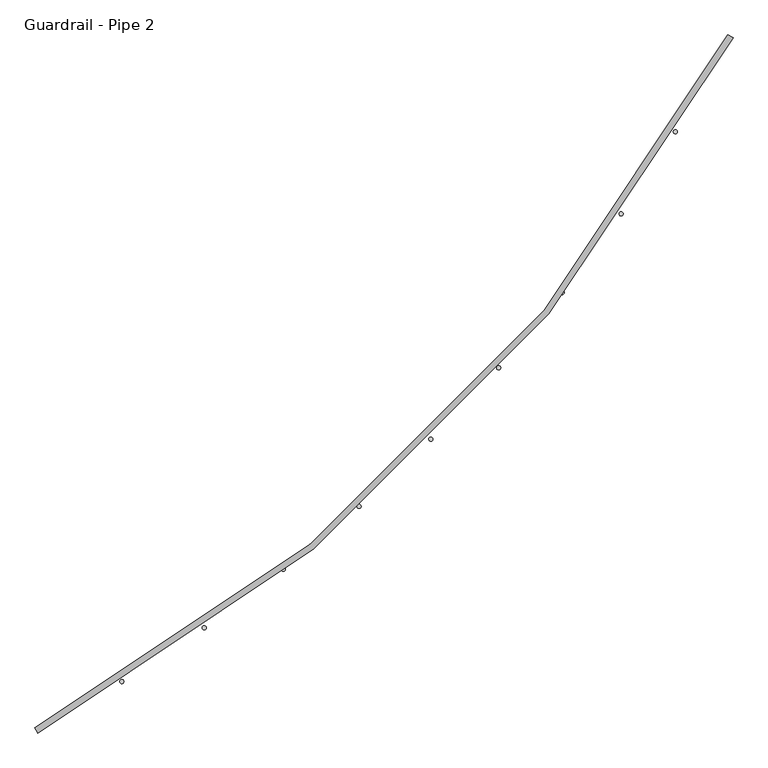
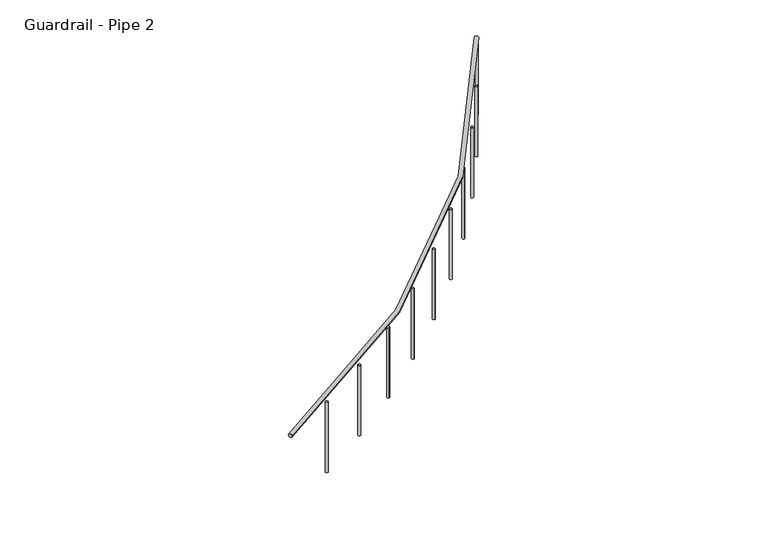
"""IFC4 building model written with IfcOpenShell, lengths in millimetres: railing geometry, Guardrail - Pipe 2."""

from ifc_helpers import new_model, si_unit, point, frame, frame_2d, origin, place, context, project, spatial, circle_curve, ellipse_curve, trimmed, segment, composite_curve, outline, extrude, source, transform, mapped, element, save
from ifc_brep_helpers import plane_surface, revolved_surface, advanced_brep


def guardrail_pipe_2_4db98643(model_context):
    return source(origin(), model_context, "Body", "SolidModel", [
        advanced_brep(
        [(572459.8519382, -280418.30214, 5518.15), (568169.1195853, -284709.0344929, 5518.15), (568187.048997, -284742.65214, 5518.15), (572493.4695853, -280436.2315517, 5518.15)],
        [
            (0, 1, circle_curve(frame((563265.4254676, -275514.6080223, 5518.15), z_axis=(0.0, 0.0, -1.0), x_axis=(0.47058823529371446, -0.8823529411766856, 0.0)), 10420.35)),
            (1, 2, circle_curve(frame((568178.0842911, -284725.8433165, 5518.15), z_axis=(0.8823529411766848, 0.4705882352937159, 0.0), x_axis=(0.4705882352937159, -0.8823529411766848, 0.0)), 19.05)),
            (2, 3, circle_curve(frame((563265.4254676, -275514.6080223, 5518.15), z_axis=(0.0, 0.0, 1.0), x_axis=(0.47058823529371446, -0.8823529411766856, 0.0)), 10458.45)),
            (3, 0, circle_curve(frame((572476.6607617, -280427.2668459, 5518.15), z_axis=(-0.4705882352937451, -0.8823529411766693, 0.0), x_axis=(0.8823529411766693, -0.4705882352937451, 0.0)), 19.05)),
            (2, 1, circle_curve(frame((568178.0842911, -284725.8433165, 5518.15), z_axis=(0.8823529411766841, 0.4705882352937174, 0.0), x_axis=(0.4705882352937174, -0.8823529411766841, 0.0)), 19.05)),
            (0, 3, circle_curve(frame((572476.6607617, -280427.2668459, 5518.15), z_axis=(-0.4705882352937477, -0.882352941176668, 0.0), x_axis=(0.882352941176668, -0.4705882352937477, 0.0)), 19.05)),
        ],
        [
            revolved_surface(trimmed(ellipse_curve(frame((568178.0842911, -284725.8433165, 5518.15), z_axis=(-0.8823529411766856, -0.47058823529371446, 0.0), x_axis=(0.47058823529371446, -0.8823529411766856, 0.0)), 19.05, 19.05), [point((568187.048997, -284742.65214, 5518.15))], [point((568169.1195853, -284709.0344929, 5518.15))], True, "CARTESIAN"), (563265.4254676, -275514.6080223, 5537.2), (0.0, 0.0, 1.0)),
            revolved_surface(trimmed(ellipse_curve(frame((568178.0842911, -284725.8433165, 5518.15), z_axis=(-0.8823529411766856, -0.47058823529371446, 0.0), x_axis=(0.47058823529371446, -0.8823529411766856, 0.0)), 19.05, 19.05), [point((568169.1195853, -284709.0344929, 5518.15))], [point((568187.048997, -284742.65214, 5518.15))], True, "CARTESIAN"), (563265.4254676, -275514.6080223, 5537.2), (0.0, 0.0, 1.0)),
            plane_surface(frame((568178.0842911, -284725.8433165, 5537.2), z_axis=(-0.8823529411766856, -0.47058823529371446, 0.0), x_axis=(0.47058823529371446, -0.8823529411766856, 0.0))),
            plane_surface(frame((572476.6607617, -280427.2668459, 5537.2), z_axis=(0.47058823529374844, 0.8823529411766675, 0.0), x_axis=(0.8823529411766675, -0.47058823529374844, 0.0))),
        ],
        [
            (0, [[1, 2, 3, 4]]),
            (1, [[-3, 5, -1, 6]]),
            (2, [[-5, -2]]),
            (3, [[-4, -6]]),
        ],
    ),
        extrude(outline(composite_curve([segment(trimmed(circle_curve(frame_2d((572442.3450203, -280491.0746286)), 12.7), [point((572431.1808846, -280485.020533))], [point((572453.509156, -280497.1287242))], False, "CARTESIAN"), True, "CONTINUOUS"), segment(trimmed(circle_curve(frame_2d((572442.3450203, -280491.0746286)), 12.7), [point((572453.509156, -280497.1287242))], [point((572431.1808846, -280485.020533))], False, "CARTESIAN"), True, "CONTINUOUS")], self_intersect=False)), frame((0.0, 0.0, 4775.2), z_axis=(0.0, 0.0, 1.0), x_axis=(1.0, 0.0, 0.0)), (0.0, 0.0, 1.0), 723.9),
        extrude(outline(composite_curve([segment(trimmed(circle_curve(frame_2d((572136.2719093, -281018.1664865)), 12.7), [point((572125.4801253, -281011.4711599))], [point((572147.0636932, -281024.8618131))], False, "CARTESIAN"), True, "CONTINUOUS"), segment(trimmed(circle_curve(frame_2d((572136.2719093, -281018.1664865)), 12.7), [point((572147.0636932, -281024.8618131))], [point((572125.4801253, -281011.4711599))], False, "CARTESIAN"), True, "CONTINUOUS")], self_intersect=False)), frame((0.0, 0.0, 4775.2), z_axis=(0.0, 0.0, 1.0), x_axis=(1.0, 0.0, 0.0)), (0.0, 0.0, 1.0), 723.9),
        extrude(outline(composite_curve([segment(trimmed(circle_curve(frame_2d((571799.9588885, -281526.4972136)), 12.7), [point((571789.5762444, -281519.1834798))], [point((571810.3415326, -281533.8109474))], False, "CARTESIAN"), True, "CONTINUOUS"), segment(trimmed(circle_curve(frame_2d((571799.9588885, -281526.4972136)), 12.7), [point((571810.3415326, -281533.8109474))], [point((571789.5762444, -281519.1834798))], False, "CARTESIAN"), True, "CONTINUOUS")], self_intersect=False)), frame((0.0, 0.0, 4775.2), z_axis=(0.0, 0.0, 1.0), x_axis=(1.0, 0.0, 0.0)), (0.0, 0.0, 1.0), 723.9),
        extrude(outline(composite_curve([segment(trimmed(circle_curve(frame_2d((571434.5524186, -282014.3339565)), 12.7), [point((571424.6143079, -282006.4267473))], [point((571444.4905292, -282022.2411657))], False, "CARTESIAN"), True, "CONTINUOUS"), segment(trimmed(circle_curve(frame_2d((571434.5524186, -282014.3339565)), 12.7), [point((571444.4905292, -282022.2411657))], [point((571424.6143079, -282006.4267473))], False, "CARTESIAN"), True, "CONTINUOUS")], self_intersect=False)), frame((0.0, 0.0, 4775.2), z_axis=(0.0, 0.0, 1.0), x_axis=(1.0, 0.0, 0.0)), (0.0, 0.0, 1.0), 723.9),
        extrude(outline(composite_curve([segment(trimmed(circle_curve(frame_2d((571041.2981369, -282480.0137241)), 12.7), [point((571031.8384378, -282471.5399945))], [point((571050.7578361, -282488.4874537))], False, "CARTESIAN"), True, "CONTINUOUS"), segment(trimmed(circle_curve(frame_2d((571041.2981369, -282480.0137241)), 12.7), [point((571050.7578361, -282488.4874537))], [point((571031.8384378, -282471.5399945))], False, "CARTESIAN"), True, "CONTINUOUS")], self_intersect=False)), frame((0.0, 0.0, 4775.2), z_axis=(0.0, 0.0, 1.0), x_axis=(1.0, 0.0, 0.0)), (0.0, 0.0, 1.0), 723.9),
        extrude(outline(composite_curve([segment(trimmed(circle_curve(frame_2d((570621.5366117, -282921.9490564)), 12.7), [point((570612.5875714, -282912.9376926))], [point((570630.4856521, -282930.9604202))], False, "CARTESIAN"), True, "CONTINUOUS"), segment(trimmed(circle_curve(frame_2d((570621.5366117, -282921.9490564)), 12.7), [point((570630.4856521, -282930.9604202))], [point((570612.5875714, -282912.9376926))], False, "CARTESIAN"), True, "CONTINUOUS")], self_intersect=False)), frame((0.0, 0.0, 4775.2), z_axis=(0.0, 0.0, 1.0), x_axis=(1.0, 0.0, 0.0)), (0.0, 0.0, 1.0), 723.9),
        extrude(outline(composite_curve([segment(trimmed(circle_curve(frame_2d((570176.6987719, -283338.633436)), 12.7), [point((570168.2908968, -283329.1151569))], [point((570185.1066469, -283348.1517151))], False, "CARTESIAN"), True, "CONTINUOUS"), segment(trimmed(circle_curve(frame_2d((570176.6987719, -283338.633436)), 12.7), [point((570185.1066469, -283348.1517151))], [point((570168.2908968, -283329.1151569))], False, "CARTESIAN"), True, "CONTINUOUS")], self_intersect=False)), frame((0.0, 0.0, 4775.2), z_axis=(0.0, 0.0, 1.0), x_axis=(1.0, 0.0, 0.0)), (0.0, 0.0, 1.0), 723.9),
        extrude(outline(composite_curve([segment(trimmed(circle_curve(frame_2d((569708.3010291, -283728.6464237)), 12.7), [point((569700.462981, -283718.6536763))], [point((569716.1390772, -283738.6391712))], False, "CARTESIAN"), True, "CONTINUOUS"), segment(trimmed(circle_curve(frame_2d((569708.3010291, -283728.6464237)), 12.7), [point((569716.1390772, -283738.6391712))], [point((569700.462981, -283718.6536763))], False, "CARTESIAN"), True, "CONTINUOUS")], self_intersect=False)), frame((0.0, 0.0, 4775.2), z_axis=(0.0, 0.0, 1.0), x_axis=(1.0, 0.0, 0.0)), (0.0, 0.0, 1.0), 723.9),
        extrude(outline(composite_curve([segment(trimmed(circle_curve(frame_2d((569217.9401088, -284090.6585006)), 12.7), [point((569210.6986068, -284080.2253492))], [point((569225.1816108, -284101.0916521))], False, "CARTESIAN"), True, "CONTINUOUS"), segment(trimmed(circle_curve(frame_2d((569217.9401088, -284090.6585006)), 12.7), [point((569225.1816108, -284101.0916521))], [point((569210.6986068, -284080.2253492))], False, "CARTESIAN"), True, "CONTINUOUS")], self_intersect=False)), frame((0.0, 0.0, 4775.2), z_axis=(0.0, 0.0, 1.0), x_axis=(1.0, 0.0, 0.0)), (0.0, 0.0, 1.0), 723.9),
        extrude(outline(composite_curve([segment(trimmed(circle_curve(frame_2d((568707.2876068, -284423.4356005)), 12.7), [point((568700.6673366, -284412.5976108))], [point((568713.9078771, -284434.2735903))], False, "CARTESIAN"), True, "CONTINUOUS"), segment(trimmed(circle_curve(frame_2d((568707.2876068, -284423.4356005)), 12.7), [point((568713.9078771, -284434.2735903))], [point((568700.6673366, -284412.5976108))], False, "CARTESIAN"), True, "CONTINUOUS")], self_intersect=False)), frame((0.0, 0.0, 4775.2), z_axis=(0.0, 0.0, 1.0), x_axis=(1.0, 0.0, 0.0)), (0.0, 0.0, 1.0), 723.9),
    ])


if __name__ == "__main__":
    model = new_model("IFC4")
    model_context = context("Model", 3, world=origin())
    ifc_project = project(units=[si_unit("LENGTHUNIT", "METRE", prefix="MILLI")], contexts=[model_context])
    site = spatial("IfcSite", under=ifc_project)
    building = spatial("IfcBuilding", under=site)
    placement = place(None, origin())
    guardrail_pipe_2_shape = guardrail_pipe_2_4db98643(model_context)
    element("IfcRailing", 1, ObjectType="Guardrail - Pipe 2", at=placement, inside=building, context=model_context, shape_type="MappedRepresentation", body=[
        mapped(guardrail_pipe_2_shape, transform((0.0, 0.0, 0.0), x_axis=(1.0, 0.0, 0.0), y_axis=(0.0, 1.0, 0.0), z_axis=(0.0, 0.0, 1.0))),
    ])
    save(model, "model.ifc")
